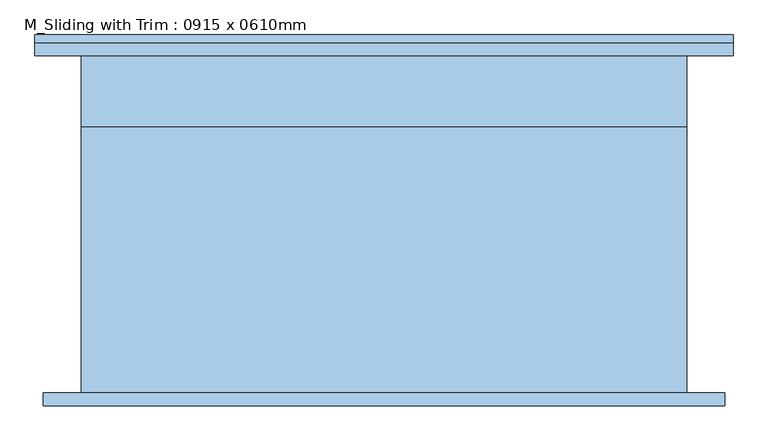
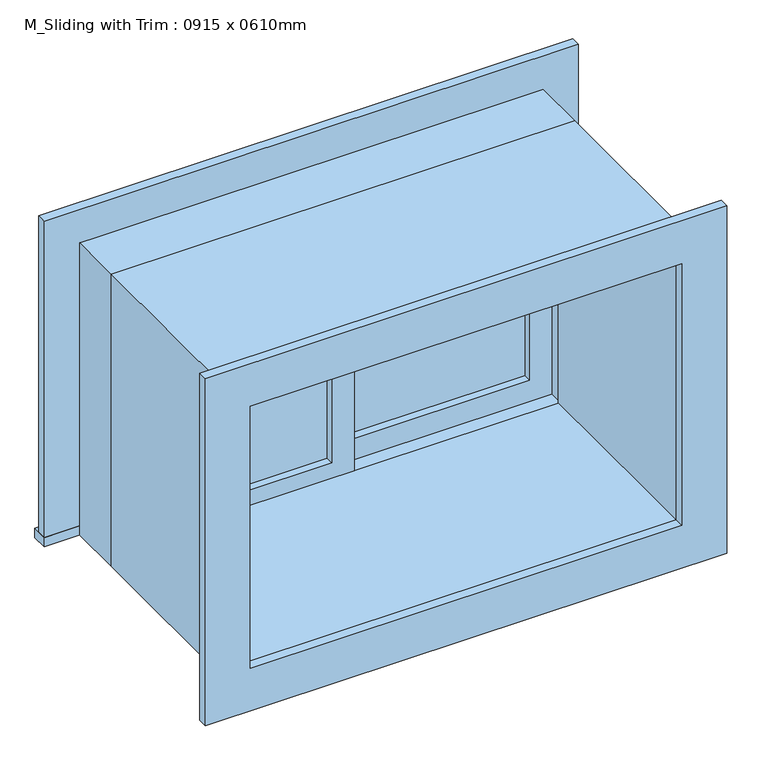
"""IFC4 building model written with IfcOpenShell, lengths in millimetres: window geometry, M_Sliding with Trim : 0915 x 0610mm."""

from ifc_helpers import new_model, si_unit, frame, origin, place, context, project, spatial, polyline, outline, extrude, source, transform, mapped, element, save


def m_sliding_with_trim_0915_x_0610mm_233786a7(model_context):
    return source(origin(), model_context, "Body", "SweptSolid", [
        extrude(outline(polyline([(-394.0, 175.675), (-22.225, 175.675), (-22.225, 162.975), (-394.0, 162.975), (-394.0, 175.675)])), frame((0.0, 0.0, 978.5), z_axis=(0.0, 0.0, 1.0), x_axis=(1.0, 0.0, 0.0)), (0.0, 0.0, 1.0), 483.0),
        extrude(outline(polyline([(1505.95, -438.45), (934.05, -438.45), (934.05, 22.225), (1505.95, 22.225), (1505.95, -438.45)]), holes=[polyline([(1461.5, -394.0), (1461.5, -22.225), (978.5, -22.225), (978.5, -394.0), (1461.5, -394.0)])]), frame((0.0, 147.1, 0.0), z_axis=(0.0, 1.0, 0.0), x_axis=(0.0, 0.0, 1.0)), (0.0, 0.0, 1.0), 44.45),
        extrude(outline(polyline([(-527.45, 286.7), (527.45, 286.7), (527.45, 255.0), (-527.45, 255.0), (-527.45, 286.7)])), frame((0.0, 0.0, 915.0), z_axis=(0.0, 0.0, 1.0), x_axis=(1.0, 0.0, 0.0)), (0.0, 0.0, 1.0), 19.05),
        extrude(outline(polyline([(1505.95, -438.45), (1505.95, 438.45), (934.05, 438.45), (934.05, 527.45), (1594.95, 527.45), (1594.95, -527.45), (934.05, -527.45), (934.05, -438.45), (1505.95, -438.45)])), frame((0.0, 255.0, 0.0), z_axis=(0.0, 1.0, 0.0), x_axis=(0.0, 0.0, 1.0)), (0.0, 0.0, 1.0), 19.0),
        extrude(outline(polyline([(1582.25, 514.75), (1582.25, -514.75), (857.75, -514.75), (857.75, 514.75), (1582.25, 514.75)]), holes=[polyline([(1493.25, 425.75), (946.75, 425.75), (946.75, -425.75), (1493.25, -425.75), (1493.25, 425.75)])]), frame((0.0, -274.0, 0.0), z_axis=(0.0, 1.0, 0.0), x_axis=(0.0, 0.0, 1.0)), (0.0, 0.0, 1.0), 19.0),
        extrude(outline(polyline([(394.0, 207.425), (22.225, 207.425), (22.225, 220.125), (394.0, 220.125), (394.0, 207.425)])), frame((0.0, 0.0, 978.5), z_axis=(0.0, 0.0, 1.0), x_axis=(1.0, 0.0, 0.0)), (0.0, 0.0, 1.0), 483.0),
        extrude(outline(polyline([(1505.95, -22.225), (934.05, -22.225), (934.05, 438.45), (1505.95, 438.45), (1505.95, -22.225)]), holes=[polyline([(1461.5, 22.225), (1461.5, 394.0), (978.5, 394.0), (978.5, 22.225), (1461.5, 22.225)])]), frame((0.0, 191.55, 0.0), z_axis=(0.0, 1.0, 0.0), x_axis=(0.0, 0.0, 1.0)), (0.0, 0.0, 1.0), 44.45),
        extrude(outline(polyline([(1525.0, -457.5), (915.0, -457.5), (915.0, 457.5), (1525.0, 457.5), (1525.0, -457.5)]), holes=[polyline([(1493.25, -425.75), (1493.25, 425.75), (946.75, 425.75), (946.75, -425.75), (1493.25, -425.75)])]), frame((0.0, -255.0, 0.0), z_axis=(0.0, 1.0, 0.0), x_axis=(0.0, 0.0, 1.0)), (0.0, 0.0, 1.0), 402.1),
        extrude(outline(polyline([(1525.0, 457.5), (1525.0, -457.5), (915.0, -457.5), (915.0, 457.5), (1525.0, 457.5)]), holes=[polyline([(1505.95, 438.45), (934.05, 438.45), (934.05, -438.45), (1505.95, -438.45), (1505.95, 438.45)])]), frame((0.0, 147.1, 0.0), z_axis=(0.0, 1.0, 0.0), x_axis=(0.0, 0.0, 1.0)), (0.0, 0.0, 1.0), 107.9),
    ])


if __name__ == "__main__":
    model = new_model("IFC4")
    model_context = context("Model", 3, world=origin())
    ifc_project = project(units=[si_unit("LENGTHUNIT", "METRE", prefix="MILLI")], contexts=[model_context])
    site = spatial("IfcSite", under=ifc_project)
    building = spatial("IfcBuilding", under=site)
    placement = place(None, origin())
    m_sliding_with_trim_0915_x_0610mm_shape = m_sliding_with_trim_0915_x_0610mm_233786a7(model_context)
    element("IfcWindow", 1, ObjectType="M_Sliding with Trim : 0915 x 0610mm", at=placement, inside=building, context=model_context, shape_type="MappedRepresentation", body=[
        mapped(m_sliding_with_trim_0915_x_0610mm_shape, transform((0.0, 0.0, 0.0), x_axis=(1.0, 0.0, 0.0), y_axis=(0.0, 1.0, 0.0), z_axis=(0.0, 0.0, 1.0))),
    ])
    save(model, "model.ifc")
